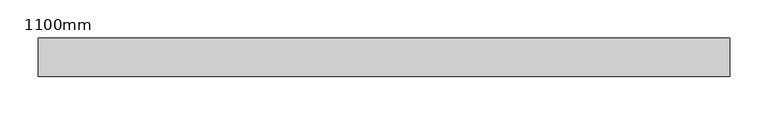
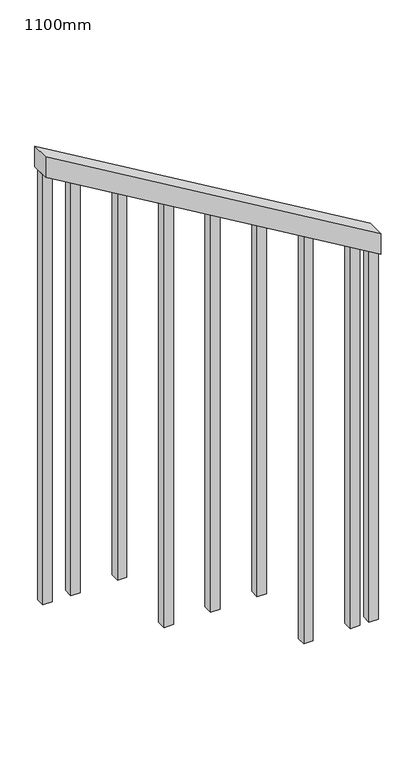
"""IFC4 building model written with IfcOpenShell, lengths in millimetres: railing geometry, 1100mm."""

from ifc_helpers import new_model, si_unit, frame, origin, place, context, project, spatial, polyline, outline, extrude, source, transform, mapped, element, save


def railing_1100mm_15a25be6(model_context):
    return source(origin(), model_context, "Body", "SweptSolid", [
        extrude(outline(polyline([(1219.6579451, -308020.1057122), (1277.7777778, -308020.1057122), (1811.1111111, -308920.1057122), (1752.9912784, -308920.1057122), (1219.6579451, -308020.1057122)])), frame((0.0, -110847.7605573, 0.0), z_axis=(0.0, 1.0, 0.0), x_axis=(0.0, 0.0, 1.0)), (0.0, 0.0, 1.0), 50.0),
        extrude(outline(polyline([(1693.7320192, -308820.1057122), (1708.546834, -308845.1057122), (533.3333333, -308845.1057122), (533.3333333, -308820.1057122), (1693.7320192, -308820.1057122)])), frame((0.0, -110835.2605573, 0.0), z_axis=(0.0, 1.0, 0.0), x_axis=(0.0, 0.0, 1.0)), (0.0, 0.0, 1.0), 25.0),
        extrude(outline(polyline([(1619.6579451, -308695.1057122), (1634.4727599, -308720.1057122), (533.3333333, -308720.1057122), (533.3333333, -308695.1057122), (1619.6579451, -308695.1057122)])), frame((0.0, -110835.2605573, 0.0), z_axis=(0.0, 1.0, 0.0), x_axis=(0.0, 0.0, 1.0)), (0.0, 0.0, 1.0), 25.0),
        extrude(outline(polyline([(1545.583871, -308570.1057122), (1560.3986858, -308595.1057122), (355.5555556, -308595.1057122), (355.5555556, -308570.1057122), (1545.583871, -308570.1057122)])), frame((0.0, -110835.2605573, 0.0), z_axis=(0.0, 1.0, 0.0), x_axis=(0.0, 0.0, 1.0)), (0.0, 0.0, 1.0), 25.0),
        extrude(outline(polyline([(1471.5097969, -308445.1057122), (1486.3246118, -308470.1057122), (355.5555556, -308470.1057122), (355.5555556, -308445.1057122), (1471.5097969, -308445.1057122)])), frame((0.0, -110835.2605573, 0.0), z_axis=(0.0, 1.0, 0.0), x_axis=(0.0, 0.0, 1.0)), (0.0, 0.0, 1.0), 25.0),
        extrude(outline(polyline([(1397.4357229, -308320.1057122), (1412.2505377, -308345.1057122), (355.5555556, -308345.1057122), (355.5555556, -308320.1057122), (1397.4357229, -308320.1057122)])), frame((0.0, -110835.2605573, 0.0), z_axis=(0.0, 1.0, 0.0), x_axis=(0.0, 0.0, 1.0)), (0.0, 0.0, 1.0), 25.0),
        extrude(outline(polyline([(1323.3616488, -308195.1057122), (1338.1764636, -308220.1057122), (177.7777778, -308220.1057122), (177.7777778, -308195.1057122), (1323.3616488, -308195.1057122)])), frame((0.0, -110835.2605573, 0.0), z_axis=(0.0, 1.0, 0.0), x_axis=(0.0, 0.0, 1.0)), (0.0, 0.0, 1.0), 25.0),
        extrude(outline(polyline([(1249.2875747, -308070.1057122), (1264.1023895, -308095.1057122), (177.7777778, -308095.1057122), (177.7777778, -308070.1057122), (1249.2875747, -308070.1057122)])), frame((0.0, -110835.2605573, 0.0), z_axis=(0.0, 1.0, 0.0), x_axis=(0.0, 0.0, 1.0)), (0.0, 0.0, 1.0), 25.0),
        extrude(outline(polyline([(1738.1764636, -308895.1057122), (1752.9912784, -308920.1057122), (533.3333333, -308920.1057122), (533.3333333, -308895.1057122), (1738.1764636, -308895.1057122)])), frame((0.0, -110835.2605573, 0.0), z_axis=(0.0, 1.0, 0.0), x_axis=(0.0, 0.0, 1.0)), (0.0, 0.0, 1.0), 25.0),
        extrude(outline(polyline([(1219.6579451, -308020.1057122), (1234.4727599, -308045.1057122), (177.7777778, -308045.1057122), (177.7777778, -308020.1057122), (1219.6579451, -308020.1057122)])), frame((0.0, -110835.2605573, 0.0), z_axis=(0.0, 1.0, 0.0), x_axis=(0.0, 0.0, 1.0)), (0.0, 0.0, 1.0), 25.0),
    ])


if __name__ == "__main__":
    model = new_model("IFC4")
    model_context = context("Model", 3, world=origin())
    ifc_project = project(units=[si_unit("LENGTHUNIT", "METRE", prefix="MILLI")], contexts=[model_context])
    site = spatial("IfcSite", under=ifc_project)
    building = spatial("IfcBuilding", under=site)
    placement = place(None, origin())
    railing_1100mm_shape = railing_1100mm_15a25be6(model_context)
    element("IfcRailing", 1, ObjectType="1100mm", at=placement, inside=building, context=model_context, shape_type="MappedRepresentation", body=[
        mapped(railing_1100mm_shape, transform((0.0, 0.0, 0.0), x_axis=(1.0, 0.0, 0.0), y_axis=(0.0, 1.0, 0.0), z_axis=(0.0, 0.0, 1.0))),
    ])
    save(model, "model.ifc")
